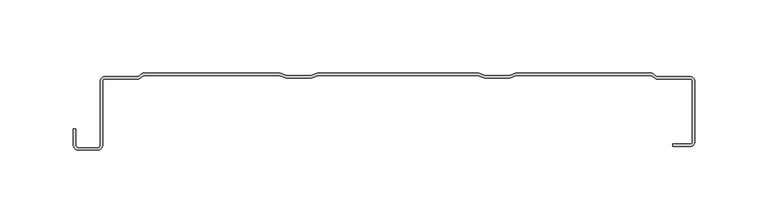
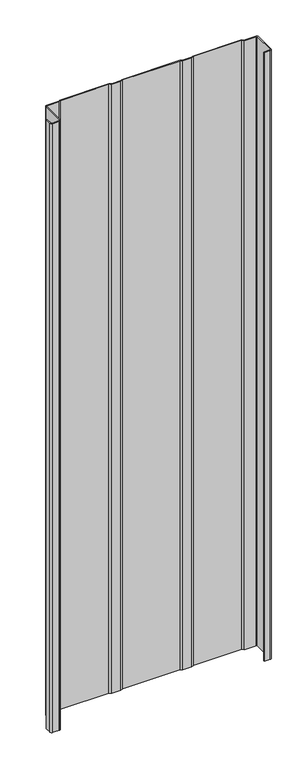
"""IFC4 building model written with IfcOpenShell, lengths in millimetres: plate geometry."""

import ifcopenshell
import ifcopenshell.guid

model = None  # the IFC model being written
_history = None  # IfcOwnerHistory: only IFC2X3 demands one
_inside = {}  # id of a spatial element -> (the spatial element, [elements in it])
_under = {}  # id of a project, library or spatial element -> (it, [spatial elements below it])
_declared = {}  # id of a project -> (the project, [libraries it declares])
_typed = {}  # id of a type object -> (the type object, [elements of that type])
_made_of = {}  # id of a material, layer set ... -> (it, [elements and type objects made of it])


def new_model(schema):
    """Start an empty IFC model of exactly this schema.

    Asked for "IFC4X3", IfcOpenShell would pick the latest addendum, in which some entities
    have other attributes; the version numbers below select the first issue.
    IFC2X3 requires an IfcOwnerHistory on every rooted entity: one is made here for all.
    """
    global model, _history
    if schema == "IFC4X3":
        model = ifcopenshell.file(schema_version=(4, 3, 0, 0))
    else:
        model = ifcopenshell.file(schema=schema)
    _inside.clear()
    _under.clear()
    _declared.clear()
    _typed.clear()
    _made_of.clear()
    _history = None
    if model.schema == "IFC2X3":
        org = make("IfcOrganization", Name="unknown")
        user = make(
            "IfcPersonAndOrganization",
            ThePerson=make("IfcPerson", FamilyName="unknown"),
            TheOrganization=org,
        )
        app = make(
            "IfcApplication",
            ApplicationDeveloper=org,
            Version="unknown",
            ApplicationFullName="unknown",
            ApplicationIdentifier="unknown",
        )
        _history = make(
            "IfcOwnerHistory",
            OwningUser=user,
            OwningApplication=app,
            ChangeAction="ADDED",
            CreationDate=0,
        )
    return model


def make(cls, **values):
    """One entity of the class cls with the attributes given. An attribute that is None is left unset."""
    return model.create_entity(
        cls, **{name: value for name, value in values.items() if value is not None}
    )


def rooted(cls, **values):
    """An entity with a GlobalId (a new one), such as an element, a storey or a relation."""
    return make(cls, GlobalId=ifcopenshell.guid.new(), OwnerHistory=_history, **values)


def si_unit(unit_type, name, prefix=None):
    """IfcSIUnit, for example si_unit("LENGTHUNIT", "METRE", prefix="MILLI")."""
    return make("IfcSIUnit", UnitType=unit_type, Prefix=prefix, Name=name)


def assignment(units):
    """IfcUnitAssignment: the units of a project."""
    return None if units is None else make("IfcUnitAssignment", Units=units)


def point(xyz):
    """IfcCartesianPoint."""
    return None if xyz is None else make("IfcCartesianPoint", Coordinates=xyz)


def direction(xyz):
    """IfcDirection."""
    return None if xyz is None else make("IfcDirection", DirectionRatios=xyz)


def frame(location, z_axis=None, x_axis=None):
    """IfcAxis2Placement3D, a coordinate frame: its origin and axes. An axis left out is left unset."""
    return make(
        "IfcAxis2Placement3D",
        Location=point(location),
        Axis=direction(z_axis),
        RefDirection=direction(x_axis),
    )


def frame_2d(location, x_axis=None):
    """IfcAxis2Placement2D, a coordinate frame in the plane: its origin and x axis."""
    return make(
        "IfcAxis2Placement2D", Location=point(location), RefDirection=direction(x_axis)
    )


def origin():
    """The frame at (0, 0, 0) with its axes left unset."""
    return frame((0.0, 0.0, 0.0))


def origin_with_axes():
    """The frame at (0, 0, 0) with the z axis (0, 0, 1) and the x axis (1, 0, 0) written out."""
    return frame((0.0, 0.0, 0.0), z_axis=(0.0, 0.0, 1.0), x_axis=(1.0, 0.0, 0.0))


def place(relative_to, where):
    """IfcLocalPlacement: puts the frame where relative to a parent placement (None: the world)."""
    return make(
        "IfcLocalPlacement", PlacementRelTo=relative_to, RelativePlacement=where
    )


def context(
    kind, dimensions, precision=None, world=None, true_north=None, identifier=None
):
    """IfcGeometricRepresentationContext, for example the 3D "Model" context."""
    return make(
        "IfcGeometricRepresentationContext",
        ContextIdentifier=identifier,
        ContextType=kind,
        CoordinateSpaceDimension=dimensions,
        Precision=precision,
        WorldCoordinateSystem=world,
        TrueNorth=true_north,
    )


def project(units=None, contexts=None):
    """IfcProject with its units and contexts."""
    return rooted(
        "IfcProject",
        Name="project",
        RepresentationContexts=contexts,
        UnitsInContext=assignment(units),
    )


def spatial(cls, under=None, at=None, **own):
    """A site, building, storey or space (cls), placed at a placement, below another one or the project."""
    s = rooted(cls, ObjectPlacement=at, **own)
    if under is not None:
        _under.setdefault(under.id(), (under, []))[1].append(s)
    return s


def polyline(points):
    """IfcPolyline through the points."""
    return make("IfcPolyline", Points=[point(p) for p in points])


def circle_curve(where, radius):
    """IfcCircle in the frame where."""
    return make("IfcCircle", Position=where, Radius=radius)


def trimmed(basis, trim1, trim2, sense, master):
    """IfcTrimmedCurve: the piece of a basis curve between two trims."""
    return make(
        "IfcTrimmedCurve",
        BasisCurve=basis,
        Trim1=trim1,
        Trim2=trim2,
        SenseAgreement=sense,
        MasterRepresentation=master,
    )


def segment(curve, same_sense, transition):
    """IfcCompositeCurveSegment."""
    return make(
        "IfcCompositeCurveSegment",
        Transition=transition,
        SameSense=same_sense,
        ParentCurve=curve,
    )


def composite_curve(segments, self_intersect=None):
    """IfcCompositeCurve: segments joined end to end."""
    return make("IfcCompositeCurve", Segments=segments, SelfIntersect=self_intersect)


def outline(outer, holes=None, kind="AREA"):
    """IfcArbitraryClosedProfileDef: a profile drawn as a closed curve; with holes, ...WithVoids."""
    if holes is None:
        return make("IfcArbitraryClosedProfileDef", ProfileType=kind, OuterCurve=outer)
    return make(
        "IfcArbitraryProfileDefWithVoids",
        ProfileType=kind,
        OuterCurve=outer,
        InnerCurves=holes,
    )


def extrude(swept, where, along, depth):
    """IfcExtrudedAreaSolid: the profile swept, set in the frame where, extruded along a direction by depth."""
    return make(
        "IfcExtrudedAreaSolid",
        SweptArea=swept,
        Position=where,
        ExtrudedDirection=direction(along),
        Depth=depth,
    )


def shape(context_of_items, identifier, shape_type, items):
    """IfcShapeRepresentation: the items that make up one representation, for example the "Body"."""
    return make(
        "IfcShapeRepresentation",
        ContextOfItems=context_of_items,
        RepresentationIdentifier=identifier,
        RepresentationType=shape_type,
        Items=items,
    )


def source(mapping_origin, context_of_items, identifier, shape_type, items):
    """IfcRepresentationMap: a shape defined once, which mapped items show again and again."""
    return make(
        "IfcRepresentationMap",
        MappingOrigin=mapping_origin,
        MappedRepresentation=shape(context_of_items, identifier, shape_type, items),
    )


def transform(
    local_origin,
    x_axis=None,
    y_axis=None,
    z_axis=None,
    scale=None,
    scale2=None,
    scale3=None,
    uniform=True,
):
    """IfcCartesianTransformationOperator3D, or its non-uniform kind. x_axis, y_axis, z_axis: its Axis1, 2, 3."""
    if uniform:
        return make(
            "IfcCartesianTransformationOperator3D",
            Axis1=direction(x_axis),
            Axis2=direction(y_axis),
            LocalOrigin=point(local_origin),
            Scale=scale,
            Axis3=direction(z_axis),
        )
    return make(
        "IfcCartesianTransformationOperator3DnonUniform",
        Axis1=direction(x_axis),
        Axis2=direction(y_axis),
        LocalOrigin=point(local_origin),
        Scale=scale,
        Axis3=direction(z_axis),
        Scale2=scale2,
        Scale3=scale3,
    )


def mapped(mapping_source, mapping_target):
    """IfcMappedItem: shows the shape of a source again, moved by a transform."""
    return make(
        "IfcMappedItem", MappingSource=mapping_source, MappingTarget=mapping_target
    )


def made_of(thing, what):
    """Note that an element or type object is made of a material, layer set ...; save() writes the relation."""
    if what is not None:
        _made_of.setdefault(what.id(), (what, []))[1].append(thing)
    return thing


def element(
    cls,
    number,
    at=None,
    inside=None,
    cuts=None,
    type_object=None,
    material=None,
    context=None,
    identifier="Body",
    shape_type=None,
    held_by="IfcProductDefinitionShape",
    body=None,
    shapes=None,
    **own,
):
    """One element of the class cls, such as IfcWall. Its Tag is "e" and its number.

    at: its placement. inside: the storey or other place that contains it. cuts: it is an
    opening in that element (IfcRelVoidsElement). A single representation is given by context,
    identifier, shape_type and body (its items); several are given by shapes. held_by: the class
    of the entity that holds the representations. save() writes the other relations.
    """
    e = rooted(cls, Tag="e%d" % number, ObjectPlacement=at, **own)
    if body is not None:
        shapes = [shape(context, identifier, shape_type, body)]
    if shapes is not None:
        e.Representation = make(held_by, Representations=shapes)
    if inside is not None:
        _inside.setdefault(inside.id(), (inside, []))[1].append(e)
    if cuts is not None:
        rooted(
            "IfcRelVoidsElement", RelatingBuildingElement=cuts, RelatedOpeningElement=e
        )
    if type_object is not None:
        _typed.setdefault(type_object.id(), (type_object, []))[1].append(e)
    return made_of(e, material)


def aggregate(whole, parts):
    """IfcRelAggregates: a whole, such as a stair, and the parts it consists of."""
    return rooted("IfcRelAggregates", RelatingObject=whole, RelatedObjects=parts)


def save(model, path):
    """Write the relations noted so far, then the file.

    IfcRelAggregates (storeys below a building ...), IfcRelContainedInSpatialStructure (elements
    in a storey), IfcRelDefinesByType, IfcRelAssociatesMaterial and IfcRelDeclares: one each for
    every whole, place, type object, material and project.
    """
    for whole, parts in _under.values():
        aggregate(whole, parts)
    for where, things in _inside.values():
        rooted(
            "IfcRelContainedInSpatialStructure",
            RelatedElements=things,
            RelatingStructure=where,
        )
    for kind, things in _typed.values():
        rooted("IfcRelDefinesByType", RelatedObjects=things, RelatingType=kind)
    for what, things in _made_of.values():
        rooted("IfcRelAssociatesMaterial", RelatedObjects=things, RelatingMaterial=what)
    for by, libraries in _declared.values():
        rooted("IfcRelDeclares", RelatingContext=by, RelatedDefinitions=libraries)
    model.write(path)


def plate_b24882f7(model_context):
    return source(origin(), model_context, "Body", "SweptSolid", [
        extrude(outline(composite_curve([segment(polyline([(55.2917271, -1.5980513), (-53.5303139, -1.5980513), (-58.1736679, -3.4553929), (-75.2162223, -3.4553929), (-79.8595763, -1.5980513), (-172.4402192, -1.5980513), (-175.6221797, -3.9845217), (-199.106227, -3.9845217)]), True, "CONTINUOUS"), segment(trimmed(circle_curve(frame_2d((-199.106227, -5.126492)), 1.1419703), [point((-199.106227, -3.9845217))], [point((-200.2481973, -5.126492))], True, "CARTESIAN"), True, "CONTINUOUS"), segment(polyline([(-200.2481973, -5.126492), (-200.2481973, -48.8784494)]), True, "CONTINUOUS"), segment(trimmed(circle_curve(frame_2d((-203.8791678, -48.8784494)), 3.6309705), [point((-200.2481973, -48.8784494))], [point((-203.8791678, -52.5094199))], False, "CARTESIAN"), True, "CONTINUOUS"), segment(polyline([(-203.8791678, -52.5094199), (-216.60701, -52.5094199)]), True, "CONTINUOUS"), segment(trimmed(circle_curve(frame_2d((-216.60701, -48.8784494)), 3.6309705), [point((-216.60701, -52.5094199))], [point((-220.2379805, -48.8784494))], False, "CARTESIAN"), True, "CONTINUOUS"), segment(polyline([(-220.2379805, -48.8784494), (-220.2379805, -38.1835265), (-218.6399292, -38.1835265), (-218.6399292, -48.8784494)]), True, "CONTINUOUS"), segment(trimmed(circle_curve(frame_2d((-216.60701, -48.8784494)), 2.0329192), [point((-218.6399292, -48.8784494))], [point((-216.60701, -50.9113686))], True, "CARTESIAN"), True, "CONTINUOUS"), segment(polyline([(-216.60701, -50.9113686), (-203.8791678, -50.9113686)]), True, "CONTINUOUS"), segment(trimmed(circle_curve(frame_2d((-203.8791678, -48.8784494)), 2.0329192), [point((-203.8791678, -50.9113686))], [point((-201.8462486, -48.8784494))], True, "CARTESIAN"), True, "CONTINUOUS"), segment(polyline([(-201.8462486, -48.8784494), (-201.8462486, -5.126492)]), True, "CONTINUOUS"), segment(trimmed(circle_curve(frame_2d((-199.106227, -5.126492)), 2.7400216), [point((-201.8462486, -5.126492))], [point((-199.106227, -2.3864704))], False, "CARTESIAN"), True, "CONTINUOUS"), segment(polyline([(-199.106227, -2.3864704), (-176.1548635, -2.3864704), (-172.972903, 0.0), (-79.3138284, 0.0), (-74.8914438, -1.7689538), (-58.4984464, -1.7689538), (-54.0760619, 0.0), (55.8374751, 0.0), (60.2598596, -1.7689538), (76.652857, -1.7689538), (81.0752415, 0.0), (174.0929058, 0.0), (177.2748663, -2.3864704), (200.2262298, -2.3864704)]), True, "CONTINUOUS"), segment(trimmed(circle_curve(frame_2d((200.2595098, -5.1267585)), 2.7404902), [point((200.2262298, -2.3864704))], [point((203.0, -5.1267585))], False, "CARTESIAN"), True, "CONTINUOUS"), segment(polyline([(203.0, -5.1267585), (203.0, -47.2180172)]), True, "CONTINUOUS"), segment(trimmed(circle_curve(frame_2d((200.2262298, -47.2180172)), 2.7737702), [point((203.0, -47.2180172))], [point((200.2262298, -49.9917874))], False, "CARTESIAN"), True, "CONTINUOUS"), segment(polyline([(200.2262298, -49.9917874), (188.1469081, -49.9917874), (188.1469081, -48.374053), (200.2262298, -48.374053)]), True, "CONTINUOUS"), segment(trimmed(circle_curve(frame_2d((200.2262298, -47.2180172)), 1.1560358), [point((200.2262298, -48.374053))], [point((201.3822657, -47.2180172))], True, "CARTESIAN"), True, "CONTINUOUS"), segment(polyline([(201.3822657, -47.2180172), (201.3822657, -5.1405575)]), True, "CONTINUOUS"), segment(trimmed(circle_curve(frame_2d((200.2262298, -5.1405575)), 1.1560358), [point((201.3822657, -5.1405575))], [point((200.2262298, -3.9845217))], True, "CARTESIAN"), True, "CONTINUOUS"), segment(polyline([(200.2262298, -3.9845217), (176.7421826, -3.9845217), (173.560222, -1.5980513), (81.6209895, -1.5980513), (76.9776355, -3.4553929), (59.9350811, -3.4553929), (55.2917271, -1.5980513)]), True, "CONTINUOUS")], self_intersect=False)), origin_with_axes(), (0.0, 0.0, 1.0), 1228.3559792),
    ])


if __name__ == "__main__":
    model = new_model("IFC4")
    model_context = context("Model", 3, world=origin())
    ifc_project = project(units=[si_unit("LENGTHUNIT", "METRE", prefix="MILLI")], contexts=[model_context])
    site = spatial("IfcSite", under=ifc_project)
    building = spatial("IfcBuilding", under=site)
    placement = place(None, origin())
    plate_shape = plate_b24882f7(model_context)
    element("IfcPlate", 1, at=placement, inside=building, context=model_context, shape_type="MappedRepresentation", body=[
        mapped(plate_shape, transform((0.0, 0.0, 0.0), x_axis=(1.0, 0.0, 0.0), y_axis=(0.0, 1.0, 0.0), z_axis=(0.0, 0.0, 1.0))),
    ])
    save(model, "model.ifc")
